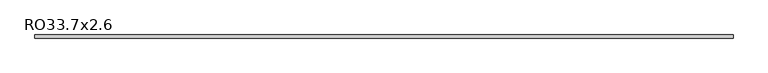
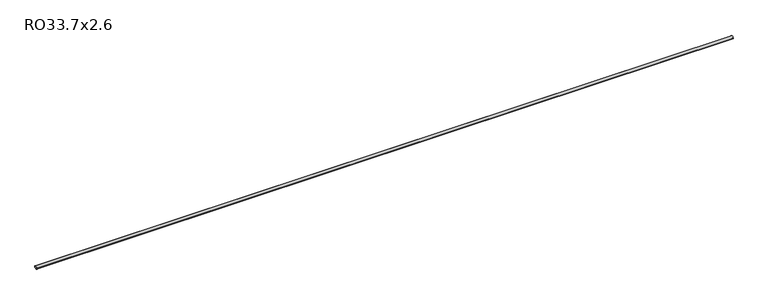
"""IFC4 building model written with IfcOpenShell, lengths in millimetres: beam geometry, RO33.7x2.6."""

from ifc_helpers import new_model, si_unit, point, frame, origin, origin_2d, place, context, project, spatial, circle_curve, trimmed, segment, composite_curve, outline, extrude, source, transform, mapped, element, save


def ro33_7x2_6_84920dda(model_context):
    return source(origin(), model_context, "Body", "SweptSolid", [
        extrude(outline(composite_curve([segment(trimmed(circle_curve(origin_2d(), 16.85), [point((-16.85, 0.0))], [point((16.85, 0.0))], False, "CARTESIAN"), True, "CONTINUOUS"), segment(trimmed(circle_curve(origin_2d(), 16.85), [point((16.85, 0.0))], [point((-16.85, 0.0))], False, "CARTESIAN"), True, "CONTINUOUS")], self_intersect=False), holes=[composite_curve([segment(trimmed(circle_curve(origin_2d(), 14.25), [point((14.25, 0.0))], [point((-14.25, 0.0))], True, "CARTESIAN"), True, "CONTINUOUS"), segment(trimmed(circle_curve(origin_2d(), 14.25), [point((-14.25, 0.0))], [point((14.25, 0.0))], True, "CARTESIAN"), True, "CONTINUOUS")], self_intersect=False)]), frame((-3779.1, 0.0, 0.0), z_axis=(1.0, 0.0, 0.0), x_axis=(0.0, 1.0, 0.0)), (0.0, 0.0, 1.0), 7604.4),
    ])


if __name__ == "__main__":
    model = new_model("IFC4")
    model_context = context("Model", 3, world=origin())
    ifc_project = project(units=[si_unit("LENGTHUNIT", "METRE", prefix="MILLI")], contexts=[model_context])
    site = spatial("IfcSite", under=ifc_project)
    building = spatial("IfcBuilding", under=site)
    placement = place(None, origin())
    ro33_7x2_6_shape = ro33_7x2_6_84920dda(model_context)
    element("IfcBeam", 1, ObjectType="RO33.7x2.6", at=placement, inside=building, context=model_context, shape_type="MappedRepresentation", body=[
        mapped(ro33_7x2_6_shape, transform((0.0, 0.0, 0.0), x_axis=(1.0, 0.0, 0.0), y_axis=(0.0, 1.0, 0.0), z_axis=(0.0, 0.0, 1.0))),
    ])
    save(model, "model.ifc")
